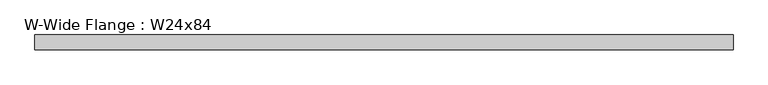
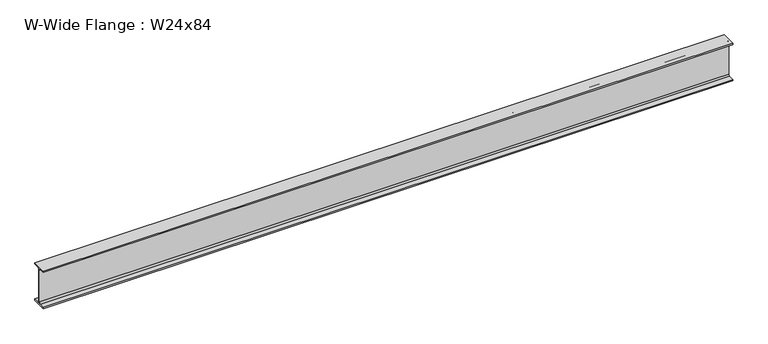
"""IFC4 building model written with IfcOpenShell, lengths in millimetres: beam geometry, W-Wide Flange : W24x84."""

from ifc_helpers import new_model, si_unit, point, frame, frame_2d, origin, place, context, project, spatial, polyline, circle_curve, trimmed, segment, composite_curve, outline, extrude, source, transform, mapped, element, save


def w_wide_flange_w24x84_166fddd7(model_context):
    return source(origin(), model_context, "Body", "SweptSolid", [
        extrude(outline(composite_curve([segment(polyline([(114.554, -286.512), (114.554, -306.07), (-114.554, -306.07), (-114.554, -286.512), (-29.2735, -286.512)]), True, "CONTINUOUS"), segment(trimmed(circle_curve(frame_2d((-29.2735, -263.2075)), 23.3045), [point((-29.2735, -286.512))], [point((-5.969, -263.2075))], True, "CARTESIAN"), True, "CONTINUOUS"), segment(polyline([(-5.969, -263.2075), (-5.969, 263.2075)]), True, "CONTINUOUS"), segment(trimmed(circle_curve(frame_2d((-29.2735, 263.2075)), 23.3045), [point((-5.969, 263.2075))], [point((-29.2735, 286.512))], True, "CARTESIAN"), True, "CONTINUOUS"), segment(polyline([(-29.2735, 286.512), (-114.554, 286.512), (-114.554, 306.07), (114.554, 306.07), (114.554, 286.512), (29.2735, 286.512)]), True, "CONTINUOUS"), segment(trimmed(circle_curve(frame_2d((29.2735, 263.2075)), 23.3045), [point((29.2735, 286.512))], [point((5.969, 263.2075))], True, "CARTESIAN"), True, "CONTINUOUS"), segment(polyline([(5.969, 263.2075), (5.969, -263.2075)]), True, "CONTINUOUS"), segment(trimmed(circle_curve(frame_2d((29.2735, -263.2075)), 23.3045), [point((5.969, -263.2075))], [point((29.2735, -286.512))], True, "CARTESIAN"), True, "CONTINUOUS"), segment(polyline([(29.2735, -286.512), (114.554, -286.512)]), True, "CONTINUOUS")], self_intersect=False)), frame((-5346.7, 0.0, 0.0), z_axis=(1.0, 0.0, 0.0), x_axis=(0.0, 1.0, 0.0)), (0.0, 0.0, 1.0), 10693.4),
    ])


if __name__ == "__main__":
    model = new_model("IFC4")
    model_context = context("Model", 3, world=origin())
    ifc_project = project(units=[si_unit("LENGTHUNIT", "METRE", prefix="MILLI")], contexts=[model_context])
    site = spatial("IfcSite", under=ifc_project)
    building = spatial("IfcBuilding", under=site)
    placement = place(None, origin())
    w_wide_flange_w24x84_shape = w_wide_flange_w24x84_166fddd7(model_context)
    element("IfcBeam", 1, ObjectType="W-Wide Flange : W24x84", at=placement, inside=building, context=model_context, shape_type="MappedRepresentation", body=[
        mapped(w_wide_flange_w24x84_shape, transform((0.0, 0.0, 0.0), x_axis=(1.0, 0.0, 0.0), y_axis=(0.0, 1.0, 0.0), z_axis=(0.0, 0.0, 1.0))),
    ])
    save(model, "model.ifc")
